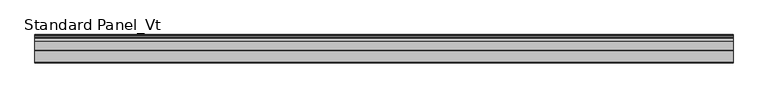
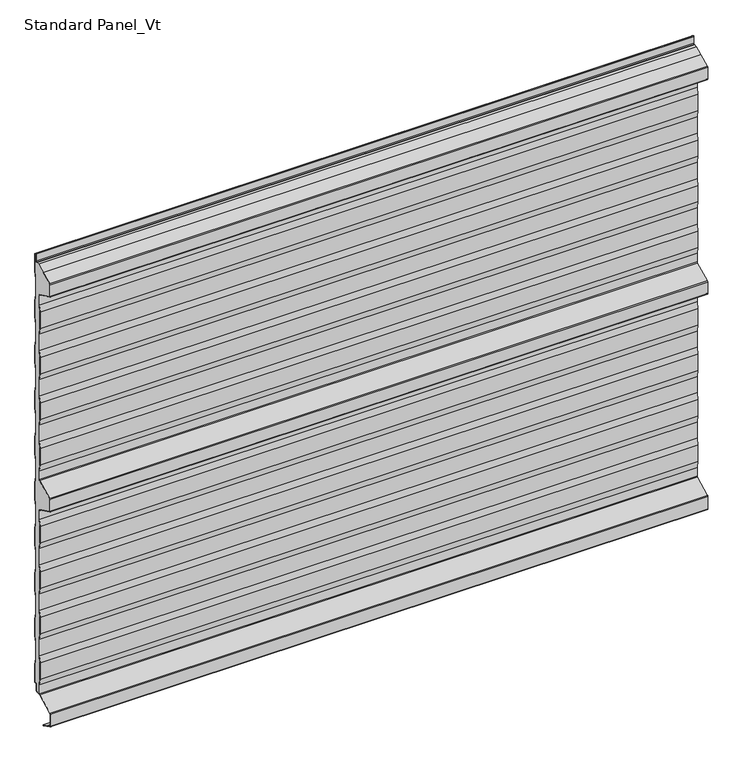
"""IFC4 building model written with IfcOpenShell, lengths in millimetres: proxy geometry, Standard Panel_Vt."""

from ifc_helpers import new_model, si_unit, point, frame, frame_2d, origin, place, context, project, spatial, polyline, circle_curve, trimmed, segment, composite_curve, outline, extrude, source, transform, mapped, element, save
from ifc_brep_helpers import plane_surface, cylinder_surface, revolved_surface, advanced_brep


def standard_panel_vt_a5dd3691(model_context):
    return source(origin(), model_context, "Body", "SolidModel", [
        advanced_brep(
        [(-723.9042608, -16.7, 964.8661831), (-723.9042608, -17.9724364, 966.9238791), (-723.9042608, -45.0045421, 980.423058), (-723.9042608, -45.7702853, 980.6504112), (-723.9042608, -47.4301555, 980.8405987), (-723.9042608, -55.9201502, 985.0802964), (-723.9042608, -56.75, 986.4222721), (-723.9042608, -56.75, 1013.5777279), (-723.9042608, -55.9201502, 1014.9197036), (-723.9042608, -14.25, 1035.7287673), (-723.9042608, -8.130172, 1035.8383571), (-723.9042608, -8.130172, 1035.0383571), (-723.9042608, -6.2001721, 1035.0383571), (-723.9042608, -4.0001723, 1037.2383568), (-723.9042608, -4.0001723, 1053.568183), (-723.9042608, -0.8, 1051.4917405), (-723.9042608, -0.8, 1010.6395671), (-723.9042608, -3.3, 995.6395671), (-723.9042608, -3.3, 957.5071471), (-723.9042608, -0.8, 942.5071471), (-723.9042608, -0.8, 904.6395671), (-723.9042608, -3.3, 889.6395671), (-723.9042608, -3.3, 851.5071471), (-723.9042608, -0.8, 836.5071471), (-723.9042608, -0.8, 798.6395671), (-723.9042608, -3.3, 783.6395671), (-723.9042608, -3.3, 745.5071471), (-723.9042608, -0.8, 730.5071471), (-723.9042608, -0.8, 692.6395671), (-723.9042608, -3.3, 677.6395671), (-723.9042608, -3.3, 639.5071471), (-723.9042608, -0.8, 624.5071471), (-723.9042608, -0.8, 586.1395671), (-723.9042608, -3.3, 571.1395671), (-723.9042608, -3.3, 533.0071471), (-723.9042608, -0.8, 518.0071471), (-723.9042608, -0.8, 480.6395671), (-723.9042608, -3.3, 465.6395671), (-723.9042608, -3.3, 427.5071471), (-723.9042608, -0.8, 412.5071471), (-723.9042608, -0.8, 374.6395671), (-723.9042608, -3.3, 359.6395671), (-723.9042608, -3.3, 321.5071471), (-723.9042608, -0.8, 306.5071471), (-723.9042608, -0.8, 268.6395671), (-723.9042608, -3.3, 253.6395671), (-723.9042608, -3.3, 215.5071471), (-723.9042608, -0.8, 200.5071471), (-723.9042608, -0.8, 162.6395671), (-723.9042608, -3.3, 147.6395671), (-723.9042608, -3.3, 109.5071471), (-723.9042608, -0.8, 94.5071471), (-723.9042608, -0.8, 53.3990389), (-723.9042608, -3.3204106, 55.0344157), (-723.9042608, -6.1001721, 53.5244265), (-723.9042608, -6.1001721, 37.9383564), (-723.9042608, -7.4001714, 36.6383571), (-723.9042608, -9.4001722, 36.6383571), (-723.9042608, -9.4001722, 35.8), (-723.9042608, -17.1622719, 35.7673446), (-723.9042608, -16.7, 37.3959608), (-723.9042608, -16.7, 57.6094989), (-723.9042608, -19.2, 72.448892), (-723.9042608, -19.2, 110.5241033), (-723.9042608, -16.7, 125.3634964), (-723.9042608, -16.7, 163.6094989), (-723.9042608, -19.2, 178.448892), (-723.9042608, -19.2, 216.5241033), (-723.9042608, -16.7, 231.3634964), (-723.9042608, -16.7, 269.6094989), (-723.9042608, -19.2, 284.448892), (-723.9042608, -19.2, 322.5241033), (-723.9042608, -16.7, 337.3634964), (-723.9042608, -16.7, 375.6094989), (-723.9042608, -19.2, 390.448892), (-723.9042608, -19.2, 428.5241033), (-723.9042608, -16.7, 443.3634964), (-723.9042608, -16.7, 463.5777279), (-723.9042608, -18.415023, 466.3511443), (-723.9042608, -55.9201502, 485.0802964), (-723.9042608, -56.75, 486.4222721), (-723.9042608, -56.75, 513.5777279), (-723.9042608, -55.9201502, 514.9197036), (-723.9042608, -18.415023, 533.6488557), (-723.9042608, -16.7, 536.4222721), (-723.9042608, -16.7, 556.6365036), (-723.9042608, -19.2, 571.4758967), (-723.9042608, -19.2, 609.551108), (-723.9042608, -16.7, 624.3905011), (-723.9042608, -16.7, 662.6365036), (-723.9042608, -19.2, 677.4758967), (-723.9042608, -19.2, 715.551108), (-723.9042608, -16.7, 730.3905011), (-723.9042608, -16.7, 768.6365036), (-723.9042608, -19.2, 783.4758967), (-723.9042608, -19.2, 821.551108), (-723.9042608, -16.7, 836.3905011), (-723.9042608, -16.7, 874.6365036), (-723.9042608, -19.2, 889.4758967), (-723.9042608, -19.2, 927.551108), (-723.9042608, -16.7, 942.3905011), (723.9042608, -16.7, 964.8661831), (723.9042608, -16.7, 942.3905011), (723.9042608, -19.2, 927.551108), (723.9042608, -19.2, 889.4758967), (723.9042608, -16.7, 874.6365036), (723.9042608, -16.7, 836.3905011), (723.9042608, -19.2, 821.551108), (723.9042608, -19.2, 783.4758967), (723.9042608, -16.7, 768.6365036), (723.9042608, -16.7, 730.3905011), (723.9042608, -19.2, 715.551108), (723.9042608, -19.2, 677.4758967), (723.9042608, -16.7, 662.6365036), (723.9042608, -16.7, 624.3905011), (723.9042608, -19.2, 609.551108), (723.9042608, -19.2, 571.4758967), (723.9042608, -16.7, 556.6365036), (723.9042608, -16.7, 536.4222721), (723.9042608, -18.415023, 533.6488557), (723.9042608, -55.9201502, 514.9197036), (723.9042608, -56.75, 513.5777279), (723.9042608, -56.75, 486.4222721), (723.9042608, -55.9201502, 485.0802964), (723.9042608, -18.415023, 466.3511443), (723.9042608, -16.7, 463.5777279), (723.9042608, -16.7, 443.3634964), (723.9042608, -19.2, 428.5241033), (723.9042608, -19.2, 390.448892), (723.9042608, -16.7, 375.6094989), (723.9042608, -16.7, 337.3634964), (723.9042608, -19.2, 322.5241033), (723.9042608, -19.2, 284.448892), (723.9042608, -16.7, 269.6094989), (723.9042608, -16.7, 231.3634964), (723.9042608, -19.2, 216.5241033), (723.9042608, -19.2, 178.448892), (723.9042608, -16.7, 163.6094989), (723.9042608, -16.7, 125.3634964), (723.9042608, -19.2, 110.5241033), (723.9042608, -19.2, 72.448892), (723.9042608, -16.7, 57.6094989), (723.9042608, -16.7, 37.3959608), (723.9042608, -17.1622719, 35.7673446), (723.9042608, -9.4001722, 35.8), (723.9042608, -9.4001722, 36.6383571), (723.9042608, -7.4001714, 36.6383571), (723.9042608, -6.1001721, 37.9383564), (723.9042608, -6.1001721, 53.5244265), (723.9042608, -3.3204106, 55.0344157), (723.9042608, -0.8, 53.3990389), (723.9042608, -0.8, 94.5071471), (723.9042608, -3.3, 109.5071471), (723.9042608, -3.3, 147.6395671), (723.9042608, -0.8, 162.6395671), (723.9042608, -0.8, 200.5071471), (723.9042608, -3.3, 215.5071471), (723.9042608, -3.3, 253.6395671), (723.9042608, -0.8, 268.6395671), (723.9042608, -0.8, 306.5071471), (723.9042608, -3.3, 321.5071471), (723.9042608, -3.3, 359.6395671), (723.9042608, -0.8, 374.6395671), (723.9042608, -0.8, 412.5071471), (723.9042608, -3.3, 427.5071471), (723.9042608, -3.3, 465.6395671), (723.9042608, -0.8, 480.6395671), (723.9042608, -0.8, 518.0071471), (723.9042608, -3.3, 533.0071471), (723.9042608, -3.3, 571.1395671), (723.9042608, -0.8, 586.1395671), (723.9042608, -0.8, 624.5071471), (723.9042608, -3.3, 639.5071471), (723.9042608, -3.3, 677.6395671), (723.9042608, -0.8, 692.6395671), (723.9042608, -0.8, 730.5071471), (723.9042608, -3.3, 745.5071471), (723.9042608, -3.3, 783.6395671), (723.9042608, -0.8, 798.6395671), (723.9042608, -0.8, 836.5071471), (723.9042608, -3.3, 851.5071471), (723.9042608, -3.3, 889.6395671), (723.9042608, -0.8, 904.6395671), (723.9042608, -0.8, 942.5071471), (723.9042608, -3.3, 957.5071471), (723.9042608, -3.3, 995.6395671), (723.9042608, -0.8, 1010.6395671), (723.9042608, -0.8, 1051.4917405), (723.9042608, -4.0001723, 1053.568183), (723.9042608, -4.0001723, 1037.2383568), (723.9042608, -6.2001721, 1035.0383571), (723.9042608, -8.130172, 1035.0383571), (723.9042608, -8.130172, 1035.8383571), (723.9042608, -14.25, 1035.8), (723.9042608, -55.9201502, 1014.9197036), (723.9042608, -56.75, 1013.5777279), (723.9042608, -56.75, 986.4222721), (723.9042608, -55.9201502, 985.0802964), (723.9042608, -47.4301555, 980.8405987), (723.9042608, -45.7702853, 980.6504112), (723.9042608, -45.0045421, 980.423058), (723.9042608, -17.9724364, 966.9238791)],
        [
            (0, 1, circle_curve(frame((-723.9042608, -19.0, 964.8661831), z_axis=(1.0, 0.0, 0.0), x_axis=(0.0, 0.0, 1.0)), 2.3)),
            (1, 2),
            (2, 3, circle_curve(frame((-723.9042608, -46.0321057, 978.3653619), z_axis=(1.0, 0.0, 0.0), x_axis=(0.0, 0.0, 1.0)), 2.3)),
            (3, 4),
            (4, 5),
            (5, 6, circle_curve(frame((-723.9042608, -55.25, 986.4222721), z_axis=(-1.0, 0.0, 0.0), x_axis=(0.0, 0.0, 1.0)), 1.5)),
            (6, 7),
            (7, 8, circle_curve(frame((-723.9042608, -55.25, 1013.5777279), z_axis=(-1.0, 0.0, 0.0), x_axis=(0.0, 0.0, 1.0)), 1.5)),
            (8, 9),
            (9, 10),
            (10, 11),
            (11, 12),
            (12, 13, circle_curve(frame((-723.9042608, -6.2001721, 1037.2383568), z_axis=(1.0, 0.0, 0.0), x_axis=(0.0, 0.0, 1.0)), 2.1999997)),
            (13, 14),
            (14, 15),
            (15, 16),
            (16, 17),
            (17, 18),
            (18, 19),
            (19, 20),
            (20, 21),
            (21, 22),
            (22, 23),
            (23, 24),
            (24, 25),
            (25, 26),
            (26, 27),
            (27, 28),
            (28, 29),
            (29, 30),
            (30, 31),
            (31, 32),
            (32, 33),
            (33, 34),
            (34, 35),
            (35, 36),
            (36, 37),
            (37, 38),
            (38, 39),
            (39, 40),
            (40, 41),
            (41, 42),
            (42, 43),
            (43, 44),
            (44, 45),
            (45, 46),
            (46, 47),
            (47, 48),
            (48, 49),
            (49, 50),
            (50, 51),
            (51, 52),
            (52, 53),
            (53, 54, circle_curve(frame((-723.9042608, -4.3001721, 53.5244265), z_axis=(1.0, 0.0, 0.0), x_axis=(0.0, 0.0, 1.0)), 1.8)),
            (54, 55),
            (55, 56, circle_curve(frame((-723.9042608, -7.4001714, 37.9383564), z_axis=(-1.0, 0.0, 0.0), x_axis=(0.0, 0.0, 1.0)), 1.2999993)),
            (56, 57),
            (57, 58),
            (58, 59),
            (59, 60, circle_curve(frame((-723.9042608, -19.8, 37.3959608), z_axis=(1.0, 0.0, 0.0), x_axis=(0.0, 0.0, 1.0)), 3.1)),
            (60, 61),
            (61, 62),
            (62, 63),
            (63, 64),
            (64, 65),
            (65, 66),
            (66, 67),
            (67, 68),
            (68, 69),
            (69, 70),
            (70, 71),
            (71, 72),
            (72, 73),
            (73, 74),
            (74, 75),
            (75, 76),
            (76, 77),
            (77, 78, circle_curve(frame((-723.9042608, -19.8, 463.5777279), z_axis=(1.0, 0.0, 0.0), x_axis=(0.0, 0.0, 1.0)), 3.1)),
            (78, 79),
            (79, 80, circle_curve(frame((-723.9042608, -55.25, 486.4222721), z_axis=(-1.0, 0.0, 0.0), x_axis=(0.0, 0.0, 1.0)), 1.5)),
            (80, 81),
            (81, 82, circle_curve(frame((-723.9042608, -55.25, 513.5777279), z_axis=(-1.0, 0.0, 0.0), x_axis=(0.0, 0.0, 1.0)), 1.5)),
            (82, 83),
            (83, 84, circle_curve(frame((-723.9042608, -19.8, 536.4222721), z_axis=(1.0, 0.0, 0.0), x_axis=(0.0, 0.0, 1.0)), 3.1)),
            (84, 85),
            (85, 86),
            (86, 87),
            (87, 88),
            (88, 89),
            (89, 90),
            (90, 91),
            (91, 92),
            (92, 93),
            (93, 94),
            (94, 95),
            (95, 96),
            (96, 97),
            (97, 98),
            (98, 99),
            (99, 100),
            (100, 0),
            (101, 102),
            (102, 103),
            (103, 104),
            (104, 105),
            (105, 106),
            (106, 107),
            (107, 108),
            (108, 109),
            (109, 110),
            (110, 111),
            (111, 112),
            (112, 113),
            (113, 114),
            (114, 115),
            (115, 116),
            (116, 117),
            (117, 118),
            (118, 119, circle_curve(frame((723.9042608, -19.8, 536.4222721), z_axis=(-1.0, 0.0, 0.0), x_axis=(0.0, 0.0, 1.0)), 3.1)),
            (119, 120),
            (120, 121, circle_curve(frame((723.9042608, -55.25, 513.5777279), z_axis=(1.0, 0.0, 0.0), x_axis=(0.0, 0.0, 1.0)), 1.5)),
            (121, 122),
            (122, 123, circle_curve(frame((723.9042608, -55.25, 486.4222721), z_axis=(1.0, 0.0, 0.0), x_axis=(0.0, 0.0, 1.0)), 1.5)),
            (123, 124),
            (124, 125, circle_curve(frame((723.9042608, -19.8, 463.5777279), z_axis=(-1.0, 0.0, 0.0), x_axis=(0.0, 0.0, 1.0)), 3.1)),
            (125, 126),
            (126, 127),
            (127, 128),
            (128, 129),
            (129, 130),
            (130, 131),
            (131, 132),
            (132, 133),
            (133, 134),
            (134, 135),
            (135, 136),
            (136, 137),
            (137, 138),
            (138, 139),
            (139, 140),
            (140, 141),
            (141, 142),
            (142, 143, circle_curve(frame((723.9042608, -19.8, 37.3959608), z_axis=(-1.0, 0.0, 0.0), x_axis=(0.0, 0.0, 1.0)), 3.1)),
            (143, 144),
            (144, 145),
            (145, 146),
            (146, 147, circle_curve(frame((723.9042608, -7.4001714, 37.9383564), z_axis=(1.0, 0.0, 0.0), x_axis=(0.0, 0.0, 1.0)), 1.2999993)),
            (147, 148),
            (148, 149, circle_curve(frame((723.9042608, -4.3001721, 53.5244265), z_axis=(-1.0, 0.0, 0.0), x_axis=(0.0, 0.0, 1.0)), 1.8)),
            (149, 150),
            (150, 151),
            (151, 152),
            (152, 153),
            (153, 154),
            (154, 155),
            (155, 156),
            (156, 157),
            (157, 158),
            (158, 159),
            (159, 160),
            (160, 161),
            (161, 162),
            (162, 163),
            (163, 164),
            (164, 165),
            (165, 166),
            (166, 167),
            (167, 168),
            (168, 169),
            (169, 170),
            (170, 171),
            (171, 172),
            (172, 173),
            (173, 174),
            (174, 175),
            (175, 176),
            (176, 177),
            (177, 178),
            (178, 179),
            (179, 180),
            (180, 181),
            (181, 182),
            (182, 183),
            (183, 184),
            (184, 185),
            (185, 186),
            (186, 187),
            (187, 188),
            (188, 189),
            (189, 190, circle_curve(frame((723.9042608, -6.2001721, 1037.2383568), z_axis=(-1.0, 0.0, 0.0), x_axis=(0.0, 0.0, 1.0)), 2.1999997)),
            (190, 191),
            (191, 192),
            (192, 193),
            (193, 194),
            (194, 195, circle_curve(frame((723.9042608, -55.25, 1013.5777279), z_axis=(1.0, 0.0, 0.0), x_axis=(0.0, 0.0, 1.0)), 1.5)),
            (195, 196),
            (196, 197, circle_curve(frame((723.9042608, -55.25, 986.4222721), z_axis=(1.0, 0.0, 0.0), x_axis=(0.0, 0.0, 1.0)), 1.5)),
            (197, 198),
            (198, 199),
            (199, 200, circle_curve(frame((723.9042608, -46.0321057, 978.3653619), z_axis=(-1.0, 0.0, 0.0), x_axis=(0.0, 0.0, 1.0)), 2.3)),
            (200, 201),
            (201, 101, circle_curve(frame((723.9042608, -19.0, 964.8661831), z_axis=(-1.0, 0.0, 0.0), x_axis=(0.0, 0.0, 1.0)), 2.3)),
            (0, 101),
            (201, 1),
            (200, 2),
            (199, 3),
            (198, 4),
            (197, 5),
            (196, 6),
            (195, 7),
            (194, 8),
            (193, 9),
            (58, 144),
            (143, 59),
            (142, 60),
            (141, 61),
            (140, 62),
            (139, 63),
            (138, 64),
            (137, 65),
            (136, 66),
            (135, 67),
            (134, 68),
            (133, 69),
            (132, 70),
            (131, 71),
            (130, 72),
            (129, 73),
            (128, 74),
            (127, 75),
            (126, 76),
            (125, 77),
            (124, 78),
            (123, 79),
            (122, 80),
            (121, 81),
            (120, 82),
            (119, 83),
            (118, 84),
            (117, 85),
            (116, 86),
            (115, 87),
            (114, 88),
            (113, 89),
            (112, 90),
            (111, 91),
            (110, 92),
            (109, 93),
            (108, 94),
            (107, 95),
            (106, 96),
            (105, 97),
            (104, 98),
            (103, 99),
            (102, 100),
            (192, 10),
            (57, 145),
            (12, 190),
            (189, 13),
            (188, 14),
            (187, 15),
            (186, 16),
            (185, 17),
            (184, 18),
            (183, 19),
            (182, 20),
            (181, 21),
            (180, 22),
            (179, 23),
            (178, 24),
            (177, 25),
            (176, 26),
            (175, 27),
            (174, 28),
            (173, 29),
            (172, 30),
            (171, 31),
            (170, 32),
            (169, 33),
            (168, 34),
            (167, 35),
            (166, 36),
            (165, 37),
            (164, 38),
            (163, 39),
            (162, 40),
            (161, 41),
            (160, 42),
            (159, 43),
            (158, 44),
            (157, 45),
            (156, 46),
            (155, 47),
            (154, 48),
            (153, 49),
            (152, 50),
            (151, 51),
            (150, 52),
            (149, 53),
            (148, 54),
            (147, 55),
            (146, 56),
            (191, 11),
        ],
        [
            plane_surface(frame((-723.9042608, -19.2, 500.0), z_axis=(-1.0, 0.0, 0.0), x_axis=(0.0, 1.0, 0.0))),
            plane_surface(frame((723.9042608, -19.2, 500.0), z_axis=(1.0, 0.0, 0.0), x_axis=(0.0, 1.0, 0.0))),
            revolved_surface(polyline([(723.9042608, -19.0, 967.1661830999999), (-723.9042608, -19.0, 967.1661830999999)]), (-723.9042608, -19.0, 964.8661831), (1.0, 0.0, 0.0)),
            plane_surface(frame((-723.9042608, -45.0045421, 980.423058), z_axis=(0.0, -0.44676677293789996, -0.8946504628058127), x_axis=(1.0, 0.0, 0.0))),
            revolved_surface(polyline([(723.9042608, -46.0321057, 980.6653619), (-723.9042608, -46.0321057, 980.6653619)]), (-723.9042608, -46.0321057, 978.3653619), (1.0, 0.0, 0.0)),
            plane_surface(frame((-723.9042608, -47.4301555, 980.8405987), z_axis=(0.0, -0.11383496024223502, -0.9934996737929253), x_axis=(1.0, 0.0, 0.0))),
            plane_surface(frame((-723.9042608, -55.9201502, 985.0802964), z_axis=(0.0, -0.44676677293837186, -0.8946504628055771), x_axis=(1.0, 0.0, 0.0))),
            cylinder_surface(frame((-723.9042608, -55.25, 986.4222721), z_axis=(-1.0, 0.0, 0.0), x_axis=(0.0, 0.0, 1.0)), 1.5),
            plane_surface(frame((-723.9042608, -56.75, 1013.5777279), z_axis=(0.0, -1.0, 0.0), x_axis=(1.0, 0.0, 0.0))),
            cylinder_surface(frame((-723.9042608, -55.25, 1013.5777279), z_axis=(-1.0, 0.0, 0.0), x_axis=(0.0, 0.0, 1.0)), 1.5),
            plane_surface(frame((-723.9042608, -14.25, 1035.7287673), z_axis=(0.0, -0.44676677293660805, 0.8946504628064579), x_axis=(1.0, 0.0, 0.0))),
            plane_surface(frame((-723.9042608, -17.1622719, 35.7673446), z_axis=(0.0, 0.0, -1.0), x_axis=(1.0, 0.0, 0.0))),
            revolved_surface(polyline([(723.9042608, -19.8, 40.4959608), (-723.9042608, -19.8, 40.4959608)]), (-723.9042608, -19.8, 37.3959608), (1.0, 0.0, 0.0)),
            plane_surface(frame((-723.9042608, -16.7, 57.6094989), z_axis=(0.0, -1.0, 0.0), x_axis=(1.0, 0.0, 0.0))),
            plane_surface(frame((-723.9042608, -19.2, 72.448892), z_axis=(0.0, -0.9861039564577467, -0.16612942863435845), x_axis=(1.0, 0.0, 0.0))),
            plane_surface(frame((-723.9042608, -19.2, 110.5241033), z_axis=(0.0, -1.0, 0.0), x_axis=(1.0, 0.0, 0.0))),
            plane_surface(frame((-723.9042608, -16.7, 125.3634964), z_axis=(0.0, -0.9861039564577161, 0.1661294286345407), x_axis=(1.0, 0.0, 0.0))),
            plane_surface(frame((-723.9042608, -16.7, 163.6094989), z_axis=(0.0, -1.0, 0.0), x_axis=(1.0, 0.0, 0.0))),
            plane_surface(frame((-723.9042608, -19.2, 178.448892), z_axis=(0.0, -0.986103956457719, -0.16612942863452348), x_axis=(1.0, 0.0, 0.0))),
            plane_surface(frame((-723.9042608, -19.2, 216.5241033), z_axis=(0.0, -1.0, 0.0), x_axis=(1.0, 0.0, 0.0))),
            plane_surface(frame((-723.9042608, -16.7, 231.3634964), z_axis=(0.0, -0.9861039564577161, 0.1661294286345407), x_axis=(1.0, 0.0, 0.0))),
            plane_surface(frame((-723.9042608, -16.7, 269.6094989), z_axis=(0.0, -1.0, 0.0), x_axis=(1.0, 0.0, 0.0))),
            plane_surface(frame((-723.9042608, -19.2, 284.448892), z_axis=(0.0, -0.9861039564577467, -0.16612942863435845), x_axis=(1.0, 0.0, 0.0))),
            plane_surface(frame((-723.9042608, -19.2, 322.5241033), z_axis=(0.0, -1.0, 0.0), x_axis=(1.0, 0.0, 0.0))),
            plane_surface(frame((-723.9042608, -16.7, 337.3634964), z_axis=(0.0, -0.9861039564576843, 0.1661294286347293), x_axis=(1.0, 0.0, 0.0))),
            plane_surface(frame((-723.9042608, -16.7, 375.6094989), z_axis=(0.0, -1.0, 0.0), x_axis=(1.0, 0.0, 0.0))),
            plane_surface(frame((-723.9042608, -19.2, 390.448892), z_axis=(0.0, -0.986103956457719, -0.16612942863452348), x_axis=(1.0, 0.0, 0.0))),
            plane_surface(frame((-723.9042608, -19.2, 428.5241033), z_axis=(0.0, -1.0, 0.0), x_axis=(1.0, 0.0, 0.0))),
            plane_surface(frame((-723.9042608, -16.7, 443.3634964), z_axis=(0.0, -0.9861039564577478, 0.16612942863435207), x_axis=(1.0, 0.0, 0.0))),
            plane_surface(frame((-723.9042608, -16.7, 463.5777279), z_axis=(0.0, -1.0, 0.0), x_axis=(1.0, 0.0, 0.0))),
            revolved_surface(polyline([(723.9042608, -19.8, 466.67772790000004), (-723.9042608, -19.8, 466.67772790000004)]), (-723.9042608, -19.8, 463.5777279), (1.0, 0.0, 0.0)),
            plane_surface(frame((-723.9042608, -55.9201502, 485.0802964), z_axis=(0.0, -0.44676677293736405, -0.8946504628060804), x_axis=(1.0, 0.0, 0.0))),
            cylinder_surface(frame((-723.9042608, -55.25, 486.4222721), z_axis=(-1.0, 0.0, 0.0), x_axis=(0.0, 0.0, 1.0)), 1.5),
            plane_surface(frame((-723.9042608, -56.75, 513.5777279), z_axis=(0.0, -1.0, 0.0), x_axis=(1.0, 0.0, 0.0))),
            cylinder_surface(frame((-723.9042608, -55.25, 513.5777279), z_axis=(-1.0, 0.0, 0.0), x_axis=(0.0, 0.0, 1.0)), 1.5),
            plane_surface(frame((-723.9042608, -18.415023, 533.6488557), z_axis=(0.0, -0.4467667729375559, 0.8946504628059846), x_axis=(1.0, 0.0, 0.0))),
            revolved_surface(polyline([(723.9042608, -19.8, 539.5222721), (-723.9042608, -19.8, 539.5222721)]), (-723.9042608, -19.8, 536.4222721), (1.0, 0.0, 0.0)),
            plane_surface(frame((-723.9042608, -16.7, 556.6365036), z_axis=(0.0, -1.0, 0.0), x_axis=(1.0, 0.0, 0.0))),
            plane_surface(frame((-723.9042608, -19.2, 571.4758967), z_axis=(0.0, -0.9861039564577035, -0.16612942863461475), x_axis=(1.0, 0.0, 0.0))),
            plane_surface(frame((-723.9042608, -19.2, 609.551108), z_axis=(0.0, -1.0, 0.0), x_axis=(1.0, 0.0, 0.0))),
            plane_surface(frame((-723.9042608, -16.7, 624.3905011), z_axis=(0.0, -0.9861039564576689, 0.16612942863482055), x_axis=(1.0, 0.0, 0.0))),
            plane_surface(frame((-723.9042608, -16.7, 662.6365036), z_axis=(0.0, -1.0, 0.0), x_axis=(1.0, 0.0, 0.0))),
            plane_surface(frame((-723.9042608, -19.2, 677.4758967), z_axis=(0.0, -0.986103956457711, -0.16612942863457064), x_axis=(1.0, 0.0, 0.0))),
            plane_surface(frame((-723.9042608, -19.2, 715.551108), z_axis=(0.0, -1.0, 0.0), x_axis=(1.0, 0.0, 0.0))),
            plane_surface(frame((-723.9042608, -16.7, 730.3905011), z_axis=(0.0, -0.9861039564577478, 0.16612942863435207), x_axis=(1.0, 0.0, 0.0))),
            plane_surface(frame((-723.9042608, -16.7, 768.6365036), z_axis=(0.0, -1.0, 0.0), x_axis=(1.0, 0.0, 0.0))),
            plane_surface(frame((-723.9042608, -19.2, 783.4758967), z_axis=(0.0, -0.986103956457715, -0.16612942863454708), x_axis=(1.0, 0.0, 0.0))),
            plane_surface(frame((-723.9042608, -19.2, 821.551108), z_axis=(0.0, -1.0, 0.0), x_axis=(1.0, 0.0, 0.0))),
            plane_surface(frame((-723.9042608, -16.7, 836.3905011), z_axis=(0.0, -0.9861039564577161, 0.1661294286345407), x_axis=(1.0, 0.0, 0.0))),
            plane_surface(frame((-723.9042608, -16.7, 874.6365036), z_axis=(0.0, -1.0, 0.0), x_axis=(1.0, 0.0, 0.0))),
            plane_surface(frame((-723.9042608, -19.2, 889.4758967), z_axis=(0.0, -0.986103956457715, -0.16612942863454708), x_axis=(1.0, 0.0, 0.0))),
            plane_surface(frame((-723.9042608, -19.2, 927.551108), z_axis=(0.0, -1.0, 0.0), x_axis=(1.0, 0.0, 0.0))),
            plane_surface(frame((-723.9042608, -16.7, 942.3905011), z_axis=(0.0, -0.9861039564576843, 0.1661294286347293), x_axis=(1.0, 0.0, 0.0))),
            plane_surface(frame((-723.9042608, -16.7, 964.8661831), z_axis=(0.0, -1.0, 0.0), x_axis=(1.0, 0.0, 0.0))),
            plane_surface(frame((723.9042608, -14.25, 1035.8), z_axis=(0.0, 0.0, 1.0), x_axis=(-1.0, 0.0, 0.0))),
            plane_surface(frame((723.9042608, -9.4001722, 1035.8), z_axis=(0.0, 1.0, 0.0), x_axis=(-1.0, 0.0, 0.0))),
            revolved_surface(polyline([(723.9042608, -6.2001721, 1039.4383565), (-723.9042608, -6.2001721, 1039.4383565)]), (-723.9042608, -6.2001721, 1037.2383568), (1.0, 0.0, 0.0)),
            plane_surface(frame((-723.9042608, -4.0001723, 1053.568183), z_axis=(0.0, -1.0, 0.0), x_axis=(1.0, 0.0, 0.0))),
            plane_surface(frame((-723.9042608, -0.8, 1051.4917405), z_axis=(0.0, 0.5443119480328179, 0.8388828900560071), x_axis=(1.0, 0.0, 0.0))),
            plane_surface(frame((-723.9042608, -0.8, 1010.6395671), z_axis=(0.0, 1.0, 0.0), x_axis=(1.0, 0.0, 0.0))),
            plane_surface(frame((-723.9042608, -3.3, 995.6395671), z_axis=(0.0, 0.9863939238321534, -0.16439898730529956), x_axis=(1.0, 0.0, 0.0))),
            plane_surface(frame((-723.9042608, -3.3, 957.5071471), z_axis=(0.0, 1.0, 0.0), x_axis=(1.0, 0.0, 0.0))),
            plane_surface(frame((-723.9042608, -0.8, 942.5071471), z_axis=(0.0, 0.9863939238321456, 0.1643989873053465), x_axis=(1.0, 0.0, 0.0))),
            plane_surface(frame((-723.9042608, -0.8, 904.6395671), z_axis=(0.0, 1.0, 0.0), x_axis=(1.0, 0.0, 0.0))),
            plane_surface(frame((-723.9042608, -3.3, 889.6395671), z_axis=(0.0, 0.9863939238321452, -0.16439898730534863), x_axis=(1.0, 0.0, 0.0))),
            plane_surface(frame((-723.9042608, -3.3, 851.5071471), z_axis=(0.0, 1.0, 0.0), x_axis=(1.0, 0.0, 0.0))),
            plane_surface(frame((-723.9042608, -0.8, 836.5071471), z_axis=(0.0, 0.9863939238321413, 0.16439898730537209), x_axis=(1.0, 0.0, 0.0))),
            plane_surface(frame((-723.9042608, -0.8, 798.6395671), z_axis=(0.0, 1.0, 0.0), x_axis=(1.0, 0.0, 0.0))),
            plane_surface(frame((-723.9042608, -3.3, 783.6395671), z_axis=(0.0, 0.9863939238321713, -0.164398987305192), x_axis=(1.0, 0.0, 0.0))),
            plane_surface(frame((-723.9042608, -3.3, 745.5071471), z_axis=(0.0, 1.0, 0.0), x_axis=(1.0, 0.0, 0.0))),
            plane_surface(frame((-723.9042608, -0.8, 730.5071471), z_axis=(0.0, 0.9863939238321595, 0.16439898730526276), x_axis=(1.0, 0.0, 0.0))),
            plane_surface(frame((-723.9042608, -0.8, 692.6395671), z_axis=(0.0, 1.0, 0.0), x_axis=(1.0, 0.0, 0.0))),
            plane_surface(frame((-723.9042608, -3.3, 677.6395671), z_axis=(0.0, 0.9863939238321285, -0.16439898730544858), x_axis=(1.0, 0.0, 0.0))),
            plane_surface(frame((-723.9042608, -3.3, 639.5071471), z_axis=(0.0, 1.0, 0.0), x_axis=(1.0, 0.0, 0.0))),
            plane_surface(frame((-723.9042608, -0.8, 624.5071471), z_axis=(0.0, 0.986393923832452, 0.16439898730350827), x_axis=(1.0, 0.0, 0.0))),
            plane_surface(frame((-723.9042608, -0.8, 586.1395671), z_axis=(0.0, 1.0, 0.0), x_axis=(1.0, 0.0, 0.0))),
            plane_surface(frame((-723.9042608, -3.3, 571.1395671), z_axis=(0.0, 0.986393923832151, -0.16439898730531435), x_axis=(1.0, 0.0, 0.0))),
            plane_surface(frame((-723.9042608, -3.3, 533.0071471), z_axis=(0.0, 1.0, 0.0), x_axis=(1.0, 0.0, 0.0))),
            plane_surface(frame((-723.9042608, -0.8, 518.0071471), z_axis=(0.0, 0.9863939238329182, 0.1643989873007107), x_axis=(1.0, 0.0, 0.0))),
            plane_surface(frame((-723.9042608, -0.8, 480.6395671), z_axis=(0.0, 1.0, 0.0), x_axis=(1.0, 0.0, 0.0))),
            plane_surface(frame((-723.9042608, -3.3, 465.6395671), z_axis=(0.0, 0.986393923832576, -0.1643989873027638), x_axis=(1.0, 0.0, 0.0))),
            plane_surface(frame((-723.9042608, -3.3, 427.5071471), z_axis=(0.0, 1.0, 0.0), x_axis=(1.0, 0.0, 0.0))),
            plane_surface(frame((-723.9042608, -0.8, 412.5071471), z_axis=(0.0, 0.9863939238321462, 0.1643989873053435), x_axis=(1.0, 0.0, 0.0))),
            plane_surface(frame((-723.9042608, -0.8, 374.6395671), z_axis=(0.0, 1.0, 0.0), x_axis=(1.0, 0.0, 0.0))),
            plane_surface(frame((-723.9042608, -3.3, 359.6395671), z_axis=(0.0, 0.9863939238321415, -0.16439898730537109), x_axis=(1.0, 0.0, 0.0))),
            plane_surface(frame((-723.9042608, -3.3, 321.5071471), z_axis=(0.0, 1.0, 0.0), x_axis=(1.0, 0.0, 0.0))),
            plane_surface(frame((-723.9042608, -0.8, 306.5071471), z_axis=(0.0, 0.9863939238321462, 0.1643989873053435), x_axis=(1.0, 0.0, 0.0))),
            plane_surface(frame((-723.9042608, -0.8, 268.6395671), z_axis=(0.0, 1.0, 0.0), x_axis=(1.0, 0.0, 0.0))),
            plane_surface(frame((-723.9042608, -3.3, 253.6395671), z_axis=(0.0, 0.9863939238321723, -0.16439898730518634), x_axis=(1.0, 0.0, 0.0))),
            plane_surface(frame((-723.9042608, -3.3, 215.5071471), z_axis=(0.0, 1.0, 0.0), x_axis=(1.0, 0.0, 0.0))),
            plane_surface(frame((-723.9042608, -0.8, 200.5071471), z_axis=(0.0, 0.9863939238321462, 0.1643989873053435), x_axis=(1.0, 0.0, 0.0))),
            plane_surface(frame((-723.9042608, -0.8, 162.6395671), z_axis=(0.0, 1.0, 0.0), x_axis=(1.0, 0.0, 0.0))),
            plane_surface(frame((-723.9042608, -3.3, 147.6395671), z_axis=(0.0, 0.9863939238321415, -0.16439898730537109), x_axis=(1.0, 0.0, 0.0))),
            plane_surface(frame((-723.9042608, -3.3, 109.5071471), z_axis=(0.0, 1.0, 0.0), x_axis=(1.0, 0.0, 0.0))),
            plane_surface(frame((-723.9042608, -0.8, 94.5071471), z_axis=(0.0, 0.9863939238321769, 0.16439898730515876), x_axis=(1.0, 0.0, 0.0))),
            plane_surface(frame((-723.9042608, -0.8, 53.3990389), z_axis=(0.0, 1.0, 0.0), x_axis=(1.0, 0.0, 0.0))),
            plane_surface(frame((-723.9042608, -3.3204106, 55.0344157), z_axis=(0.0, -0.5443119480359504, -0.8388828900539747), x_axis=(1.0, 0.0, 0.0))),
            revolved_surface(polyline([(723.9042608, -4.3001721, 55.324426499999994), (-723.9042608, -4.3001721, 55.324426499999994)]), (-723.9042608, -4.3001721, 53.5244265), (1.0, 0.0, 0.0)),
            plane_surface(frame((-723.9042608, -6.1001721, 37.9383564), z_axis=(0.0, 1.0, 0.0), x_axis=(1.0, 0.0, 0.0))),
            cylinder_surface(frame((-723.9042608, -7.4001714, 37.9383564), z_axis=(-1.0, 0.0, 0.0), x_axis=(0.0, 0.0, 1.0)), 1.2999993),
            plane_surface(frame((-723.9042608, -9.4001722, 36.6383571), z_axis=(0.0, 0.0, -1.0), x_axis=(1.0, 0.0, 0.0))),
            plane_surface(frame((-723.9042608, -8.130172, 1035.0383571), z_axis=(0.0, 1.0, 0.0), x_axis=(1.0, 0.0, 0.0))),
            plane_surface(frame((-723.9042608, -6.2001721, 1035.0383571), z_axis=(0.0, 0.0, 1.0), x_axis=(1.0, 0.0, 0.0))),
        ],
        [
            (0, [[1, 2, 3, 4, 5, 6, 7, 8, 9, 10, 11, 12, 13, 14, 15, 16, 17, 18, 19, 20, 21, 22, 23, 24, 25, 26, 27, 28, 29, 30, 31, 32, 33, 34, 35, 36, 37, 38, 39, 40, 41, 42, 43, 44, 45, 46, 47, 48, 49, 50, 51, 52, 53, 54, 55, 56, 57, 58, 59, 60, 61, 62, 63, 64, 65, 66, 67, 68, 69, 70, 71, 72, 73, 74, 75, 76, 77, 78, 79, 80, 81, 82, 83, 84, 85, 86, 87, 88, 89, 90, 91, 92, 93, 94, 95, 96, 97, 98, 99, 100, 101]]),
            (1, [[102, 103, 104, 105, 106, 107, 108, 109, 110, 111, 112, 113, 114, 115, 116, 117, 118, 119, 120, 121, 122, 123, 124, 125, 126, 127, 128, 129, 130, 131, 132, 133, 134, 135, 136, 137, 138, 139, 140, 141, 142, 143, 144, 145, 146, 147, 148, 149, 150, 151, 152, 153, 154, 155, 156, 157, 158, 159, 160, 161, 162, 163, 164, 165, 166, 167, 168, 169, 170, 171, 172, 173, 174, 175, 176, 177, 178, 179, 180, 181, 182, 183, 184, 185, 186, 187, 188, 189, 190, 191, 192, 193, 194, 195, 196, 197, 198, 199, 200, 201, 202]]),
            (2, [[203, -202, 204, -1]]),
            (3, [[-204, -201, 205, -2]]),
            (4, [[-205, -200, 206, -3]]),
            (5, [[-206, -199, 207, -4]]),
            (6, [[-207, -198, 208, -5]]),
            (7, [[-208, -197, 209, -6]]),
            (8, [[-209, -196, 210, -7]]),
            (9, [[-210, -195, 211, -8]]),
            (10, [[-211, -194, 212, -9]]),
            (11, [[-59, 213, -144, 214]]),
            (12, [[-214, -143, 215, -60]]),
            (13, [[-215, -142, 216, -61]]),
            (14, [[-216, -141, 217, -62]]),
            (15, [[-217, -140, 218, -63]]),
            (16, [[-218, -139, 219, -64]]),
            (17, [[-219, -138, 220, -65]]),
            (18, [[-220, -137, 221, -66]]),
            (19, [[-221, -136, 222, -67]]),
            (20, [[-222, -135, 223, -68]]),
            (21, [[-223, -134, 224, -69]]),
            (22, [[-224, -133, 225, -70]]),
            (23, [[-225, -132, 226, -71]]),
            (24, [[-226, -131, 227, -72]]),
            (25, [[-227, -130, 228, -73]]),
            (26, [[-228, -129, 229, -74]]),
            (27, [[-229, -128, 230, -75]]),
            (28, [[-230, -127, 231, -76]]),
            (29, [[-231, -126, 232, -77]]),
            (30, [[-232, -125, 233, -78]]),
            (31, [[-233, -124, 234, -79]]),
            (32, [[-234, -123, 235, -80]]),
            (33, [[-235, -122, 236, -81]]),
            (34, [[-236, -121, 237, -82]]),
            (35, [[-237, -120, 238, -83]]),
            (36, [[-238, -119, 239, -84]]),
            (37, [[-239, -118, 240, -85]]),
            (38, [[-240, -117, 241, -86]]),
            (39, [[-241, -116, 242, -87]]),
            (40, [[-242, -115, 243, -88]]),
            (41, [[-243, -114, 244, -89]]),
            (42, [[-244, -113, 245, -90]]),
            (43, [[-245, -112, 246, -91]]),
            (44, [[-246, -111, 247, -92]]),
            (45, [[-247, -110, 248, -93]]),
            (46, [[-248, -109, 249, -94]]),
            (47, [[-249, -108, 250, -95]]),
            (48, [[-250, -107, 251, -96]]),
            (49, [[-251, -106, 252, -97]]),
            (50, [[-252, -105, 253, -98]]),
            (51, [[-253, -104, 254, -99]]),
            (52, [[-254, -103, 255, -100]]),
            (53, [[-255, -102, -203, -101]]),
            (54, [[256, -10, -212, -193]]),
            (55, [[-58, 257, -145, -213]]),
            (56, [[258, -190, 259, -13]]),
            (57, [[-259, -189, 260, -14]]),
            (58, [[-260, -188, 261, -15]]),
            (59, [[-261, -187, 262, -16]]),
            (60, [[-262, -186, 263, -17]]),
            (61, [[-263, -185, 264, -18]]),
            (62, [[-264, -184, 265, -19]]),
            (63, [[-265, -183, 266, -20]]),
            (64, [[-266, -182, 267, -21]]),
            (65, [[-267, -181, 268, -22]]),
            (66, [[-268, -180, 269, -23]]),
            (67, [[-269, -179, 270, -24]]),
            (68, [[-270, -178, 271, -25]]),
            (69, [[-271, -177, 272, -26]]),
            (70, [[-272, -176, 273, -27]]),
            (71, [[-273, -175, 274, -28]]),
            (72, [[-274, -174, 275, -29]]),
            (73, [[-275, -173, 276, -30]]),
            (74, [[-276, -172, 277, -31]]),
            (75, [[-277, -171, 278, -32]]),
            (76, [[-278, -170, 279, -33]]),
            (77, [[-279, -169, 280, -34]]),
            (78, [[-280, -168, 281, -35]]),
            (79, [[-281, -167, 282, -36]]),
            (80, [[-282, -166, 283, -37]]),
            (81, [[-283, -165, 284, -38]]),
            (82, [[-284, -164, 285, -39]]),
            (83, [[-285, -163, 286, -40]]),
            (84, [[-286, -162, 287, -41]]),
            (85, [[-287, -161, 288, -42]]),
            (86, [[-288, -160, 289, -43]]),
            (87, [[-289, -159, 290, -44]]),
            (88, [[-290, -158, 291, -45]]),
            (89, [[-291, -157, 292, -46]]),
            (90, [[-292, -156, 293, -47]]),
            (91, [[-293, -155, 294, -48]]),
            (92, [[-294, -154, 295, -49]]),
            (93, [[-295, -153, 296, -50]]),
            (94, [[-296, -152, 297, -51]]),
            (95, [[-297, -151, 298, -52]]),
            (96, [[-298, -150, 299, -53]]),
            (97, [[-299, -149, 300, -54]]),
            (98, [[-300, -148, 301, -55]]),
            (99, [[-301, -147, 302, -56]]),
            (100, [[-302, -146, -257, -57]]),
            (101, [[-256, -192, 303, -11]]),
            (102, [[-303, -191, -258, -12]]),
        ],
    ),
        extrude(outline(composite_curve([segment(polyline([(-16.7, 964.8661831), (-16.7, 942.3905011), (-19.2, 927.551108), (-19.2, 889.4758967), (-16.7, 874.6365036), (-16.7, 836.3905011), (-19.2, 821.551108), (-19.2, 783.4758967), (-16.7, 768.6365036), (-16.7, 730.3905011), (-19.2, 715.551108), (-19.2, 677.4758967), (-16.7, 662.6365036), (-16.7, 624.3905011), (-19.2, 609.551108), (-19.2, 571.4758967), (-16.7, 556.6365036), (-16.7, 536.4222721)]), True, "CONTINUOUS"), segment(trimmed(circle_curve(frame_2d((-19.8, 536.4222721)), 3.1), [point((-16.7, 536.4222721))], [point((-18.415023, 533.6488557))], False, "CARTESIAN"), True, "CONTINUOUS"), segment(polyline([(-18.415023, 533.6488557), (-55.9201502, 514.9197036)]), True, "CONTINUOUS"), segment(trimmed(circle_curve(frame_2d((-55.25, 513.5777279)), 1.5), [point((-55.9201502, 514.9197036))], [point((-56.75, 513.5777279))], True, "CARTESIAN"), True, "CONTINUOUS"), segment(polyline([(-56.75, 513.5777279), (-56.75, 486.4222721)]), True, "CONTINUOUS"), segment(trimmed(circle_curve(frame_2d((-55.25, 486.4222721)), 1.5), [point((-56.75, 486.4222721))], [point((-55.9201502, 485.0802964))], True, "CARTESIAN"), True, "CONTINUOUS"), segment(polyline([(-55.9201502, 485.0802964), (-18.415023, 466.3511443)]), True, "CONTINUOUS"), segment(trimmed(circle_curve(frame_2d((-19.8, 463.5777279)), 3.1), [point((-18.415023, 466.3511443))], [point((-16.7, 463.5777279))], False, "CARTESIAN"), True, "CONTINUOUS"), segment(polyline([(-16.7, 463.5777279), (-16.7, 443.3634964), (-19.2, 428.5241033), (-19.2, 390.448892), (-16.7, 375.6094989), (-16.7, 337.3634964), (-19.2, 322.5241033), (-19.2, 284.448892), (-16.7, 269.6094989), (-16.7, 231.3634964), (-19.2, 216.5241033), (-19.2, 178.448892), (-16.7, 163.6094989), (-16.7, 125.3634964), (-19.2, 110.5241033), (-19.2, 72.448892), (-16.7, 57.6094989), (-16.7, 37.3959608)]), True, "CONTINUOUS"), segment(trimmed(circle_curve(frame_2d((-19.8, 37.3959608)), 3.1), [point((-16.7, 37.3959608))], [point((-18.4162325, 34.6219407))], False, "CARTESIAN"), True, "CONTINUOUS"), segment(polyline([(-18.4162325, 34.6219407), (-56.910808, 15.419649)]), True, "CONTINUOUS"), segment(trimmed(circle_curve(frame_2d((-56.241243, 14.0773812)), 1.5), [point((-56.910808, 15.419649))], [point((-57.741243, 14.0773812))], True, "CARTESIAN"), True, "CONTINUOUS"), segment(polyline([(-57.741243, 14.0773812), (-57.741243, -14.0773812)]), True, "CONTINUOUS"), segment(trimmed(circle_curve(frame_2d((-56.241243, -14.0773812)), 1.5), [point((-57.741243, -14.0773812))], [point((-56.9113932, -15.4193569))], True, "CARTESIAN"), True, "CONTINUOUS"), segment(polyline([(-56.9113932, -15.4193569), (-44.7640727, -21.4854346), (-44.4066593, -20.7697142), (-31.7026227, -27.1138024)]), True, "CONTINUOUS"), segment(trimmed(circle_curve(frame_2d((-32.0600361, -27.8295227)), 0.8), [point((-31.7026227, -27.1138024))], [point((-32.4174495, -28.5452431))], False, "CARTESIAN"), True, "CONTINUOUS"), segment(polyline([(-32.4174495, -28.5452431), (-57.2688066, -16.1350773)]), True, "CONTINUOUS"), segment(trimmed(circle_curve(frame_2d((-56.241243, -14.0773812)), 2.3), [point((-57.2688066, -16.1350773))], [point((-58.541243, -14.0773812))], False, "CARTESIAN"), True, "CONTINUOUS"), segment(polyline([(-58.541243, -14.0773812), (-58.541243, 14.0773812)]), True, "CONTINUOUS"), segment(trimmed(circle_curve(frame_2d((-56.241243, 14.0773812)), 2.3), [point((-58.541243, 14.0773812))], [point((-57.2679093, 16.1355252))], False, "CARTESIAN"), True, "CONTINUOUS"), segment(polyline([(-57.2679093, 16.1355252), (-18.7733338, 35.3378168)]), True, "CONTINUOUS"), segment(trimmed(circle_curve(frame_2d((-19.8, 37.3959608)), 2.3), [point((-18.7733338, 35.3378168))], [point((-17.5, 37.3959608))], True, "CARTESIAN"), True, "CONTINUOUS"), segment(polyline([(-17.5, 37.3959608), (-17.5, 57.5425822), (-20.0, 72.3819753), (-20.0, 110.59102), (-17.5, 125.4304131), (-17.5, 163.5425822), (-20.0, 178.3819753), (-20.0, 216.59102), (-17.5, 231.4304131), (-17.5, 269.5425822), (-20.0, 284.3819753), (-20.0, 322.59102), (-17.5, 337.4304131), (-17.5, 375.5425822), (-20.0, 390.3819753), (-20.0, 428.59102), (-17.5, 443.4304131), (-17.5, 463.5777279)]), True, "CONTINUOUS"), segment(trimmed(circle_curve(frame_2d((-19.8, 463.5777279)), 2.3), [point((-17.5, 463.5777279))], [point((-18.7724364, 465.6354239))], True, "CARTESIAN"), True, "CONTINUOUS"), segment(polyline([(-18.7724364, 465.6354239), (-56.2775636, 484.3645761)]), True, "CONTINUOUS"), segment(trimmed(circle_curve(frame_2d((-55.25, 486.4222721)), 2.3), [point((-56.2775636, 484.3645761))], [point((-57.55, 486.4222721))], False, "CARTESIAN"), True, "CONTINUOUS"), segment(polyline([(-57.55, 486.4222721), (-57.55, 513.5777279)]), True, "CONTINUOUS"), segment(trimmed(circle_curve(frame_2d((-55.25, 513.5777279)), 2.3), [point((-57.55, 513.5777279))], [point((-56.2775636, 515.6354239))], False, "CARTESIAN"), True, "CONTINUOUS"), segment(polyline([(-56.2775636, 515.6354239), (-18.7724364, 534.3645761)]), True, "CONTINUOUS"), segment(trimmed(circle_curve(frame_2d((-19.8, 536.4222721)), 2.3), [point((-18.7724364, 534.3645761))], [point((-17.5, 536.4222721))], True, "CARTESIAN"), True, "CONTINUOUS"), segment(polyline([(-17.5, 536.4222721), (-17.5, 556.5695869), (-20.0, 571.40898), (-20.0, 609.6180247), (-17.5, 624.4574178), (-17.5, 662.5695869), (-20.0, 677.40898), (-20.0, 715.6180247), (-17.5, 730.4574178), (-17.5, 768.5695869), (-20.0, 783.40898), (-20.0, 821.6180247), (-17.5, 836.4574178), (-17.5, 874.5695869), (-20.0, 889.40898), (-20.0, 927.6180247), (-17.5, 942.4574178), (-17.5, 964.8661831)]), True, "CONTINUOUS"), segment(trimmed(circle_curve(frame_2d((-19.0, 964.8661831)), 1.5), [point((-17.5, 964.8661831))], [point((-18.3298498, 966.2081587))], True, "CARTESIAN"), True, "CONTINUOUS"), segment(polyline([(-18.3298498, 966.2081587), (-45.5985821, 979.8255032), (-47.6613681, 980.0618567), (-56.2775636, 984.3645761)]), True, "CONTINUOUS"), segment(trimmed(circle_curve(frame_2d((-55.25, 986.4222721)), 2.3), [point((-56.2775636, 984.3645761))], [point((-57.55, 986.4222721))], False, "CARTESIAN"), True, "CONTINUOUS"), segment(polyline([(-57.55, 986.4222721), (-57.55, 1013.5777279)]), True, "CONTINUOUS"), segment(trimmed(circle_curve(frame_2d((-55.25, 1013.5777279)), 2.3), [point((-57.55, 1013.5777279))], [point((-56.2775636, 1015.6354239))], False, "CARTESIAN"), True, "CONTINUOUS"), segment(polyline([(-56.2775636, 1015.6354239), (-32.499787, 1027.5094696), (-32.1423736, 1026.7937493), (-55.9201502, 1014.9197036)]), True, "CONTINUOUS"), segment(trimmed(circle_curve(frame_2d((-55.25, 1013.5777279)), 1.5), [point((-55.9201502, 1014.9197036))], [point((-56.75, 1013.5777279))], True, "CARTESIAN"), True, "CONTINUOUS"), segment(polyline([(-56.75, 1013.5777279), (-56.75, 986.4222721)]), True, "CONTINUOUS"), segment(trimmed(circle_curve(frame_2d((-55.25, 986.4222721)), 1.5), [point((-56.75, 986.4222721))], [point((-55.9201502, 985.0802964))], True, "CARTESIAN"), True, "CONTINUOUS"), segment(polyline([(-55.9201502, 985.0802964), (-47.4301555, 980.8405987), (-45.7702853, 980.6504112)]), True, "CONTINUOUS"), segment(trimmed(circle_curve(frame_2d((-46.0321057, 978.3653619)), 2.3), [point((-45.7702853, 980.6504112))], [point((-45.0045421, 980.423058))], False, "CARTESIAN"), True, "CONTINUOUS"), segment(polyline([(-45.0045421, 980.423058), (-17.9724364, 966.9238791)]), True, "CONTINUOUS"), segment(trimmed(circle_curve(frame_2d((-19.0, 964.8661831)), 2.3), [point((-17.9724364, 966.9238791))], [point((-16.7, 964.8661831))], False, "CARTESIAN"), True, "CONTINUOUS")], self_intersect=False)), frame((-723.9042608, 0.0, 0.0), z_axis=(1.0, 0.0, 0.0), x_axis=(0.0, 1.0, 0.0)), (0.0, 0.0, 1.0), 1447.8085217),
        extrude(outline(composite_curve([segment(trimmed(circle_curve(frame_2d((-6.2001721, 1037.2383568)), 1.3999997), [point((-6.2001721, 1035.8383571))], [point((-4.8001723, 1037.2383568))], True, "CARTESIAN"), True, "CONTINUOUS"), segment(polyline([(-4.8001723, 1037.2383568), (-4.8001723, 1053.2)]), True, "CONTINUOUS"), segment(trimmed(circle_curve(frame_2d((-3.8001723, 1053.2)), 1.0), [point((-4.8001723, 1053.2))], [point((-3.2558604, 1054.0388829))], False, "CARTESIAN"), True, "CONTINUOUS"), segment(polyline([(-3.2558604, 1054.0388829), (-0.4556881, 1052.2219818)]), True, "CONTINUOUS"), segment(trimmed(circle_curve(frame_2d((-1.0, 1051.3830989)), 1.0), [point((-0.4556881, 1052.2219818))], [point((0.0, 1051.3830989))], False, "CARTESIAN"), True, "CONTINUOUS"), segment(polyline([(0.0, 1051.3830989), (0.0, 1010.5733571), (-2.5, 995.5733571), (-2.5, 957.5733571), (0.0, 942.5733571), (0.0, 904.5733571), (-2.5, 889.5733571), (-2.5, 851.5733571), (0.0, 836.5733571), (0.0, 798.5733571), (-2.5, 783.5733571), (-2.5, 745.5733571), (0.0, 730.5733571), (0.0, 692.5733571), (-2.5, 677.5733571), (-2.5, 639.5733571), (0.0, 624.5733571), (0.0, 586.0733571), (-2.5, 571.0733571), (-2.5, 533.0733571), (0.0, 518.0733571), (0.0, 480.5733571), (-2.5, 465.5733571), (-2.5, 427.5733571), (0.0, 412.5733571), (0.0, 374.5733571), (-2.5, 359.5733571), (-2.5, 321.5733571), (0.0, 306.5733571), (0.0, 268.5733571), (-2.5, 253.5733571), (-2.5, 215.5733571), (0.0, 200.5733571), (0.0, 162.5733571), (-2.5, 147.5733571), (-2.5, 109.5733571), (0.0, 94.5733571), (0.0, 53.7672219)]), True, "CONTINUOUS"), segment(trimmed(circle_curve(frame_2d((-1.0, 53.7672219)), 1.0), [point((0.0, 53.7672219))], [point((-1.5443119, 52.928339))], False, "CARTESIAN"), True, "CONTINUOUS"), segment(polyline([(-1.5443119, 52.928339), (-3.7558601, 54.3633094)]), True, "CONTINUOUS"), segment(trimmed(circle_curve(frame_2d((-4.3001721, 53.5244265)), 1.0), [point((-3.7558601, 54.3633094))], [point((-5.3001721, 53.5244265))], True, "CARTESIAN"), True, "CONTINUOUS"), segment(polyline([(-5.3001721, 53.5244265), (-5.3001721, 37.9383564)]), True, "CONTINUOUS"), segment(trimmed(circle_curve(frame_2d((-7.4001714, 37.9383564)), 2.0999993), [point((-5.3001721, 37.9383564))], [point((-7.4001714, 35.8383571))], False, "CARTESIAN"), True, "CONTINUOUS"), segment(polyline([(-7.4001714, 35.8383571), (-9.4001722, 35.8383571), (-9.4001722, 36.6383571), (-7.4001714, 36.6383571)]), True, "CONTINUOUS"), segment(trimmed(circle_curve(frame_2d((-7.4001714, 37.9383564)), 1.2999993), [point((-7.4001714, 36.6383571))], [point((-6.1001721, 37.9383564))], True, "CARTESIAN"), True, "CONTINUOUS"), segment(polyline([(-6.1001721, 37.9383564), (-6.1001721, 53.5244265)]), True, "CONTINUOUS"), segment(trimmed(circle_curve(frame_2d((-4.3001721, 53.5244265)), 1.8), [point((-6.1001721, 53.5244265))], [point((-3.3204106, 55.0344157))], False, "CARTESIAN"), True, "CONTINUOUS"), segment(polyline([(-3.3204106, 55.0344157), (-0.8, 53.3990389), (-0.8, 94.5071471), (-3.3, 109.5071471), (-3.3, 147.6395671), (-0.8, 162.6395671), (-0.8, 200.5071471), (-3.3, 215.5071471), (-3.3, 253.6395671), (-0.8, 268.6395671), (-0.8, 306.5071471), (-3.3, 321.5071471), (-3.3, 359.6395671), (-0.8, 374.6395671), (-0.8, 412.5071471), (-3.3, 427.5071471), (-3.3, 465.6395671), (-0.8, 480.6395671), (-0.8, 518.0071471), (-3.3, 533.0071471), (-3.3, 571.1395671), (-0.8, 586.1395671), (-0.8, 624.5071471), (-3.3, 639.5071471), (-3.3, 677.6395671), (-0.8, 692.6395671), (-0.8, 730.5071471), (-3.3, 745.5071471), (-3.3, 783.6395671), (-0.8, 798.6395671), (-0.8, 836.5071471), (-3.3, 851.5071471), (-3.3, 889.6395671), (-0.8, 904.6395671), (-0.8, 942.5071471), (-3.3, 957.5071471), (-3.3, 995.6395671), (-0.8, 1010.6395671), (-0.8, 1051.4917405), (-4.0001723, 1053.568183), (-4.0001723, 1037.2383568)]), True, "CONTINUOUS"), segment(trimmed(circle_curve(frame_2d((-6.2001721, 1037.2383568)), 2.1999997), [point((-4.0001723, 1037.2383568))], [point((-6.2001721, 1035.0383571))], False, "CARTESIAN"), True, "CONTINUOUS"), segment(polyline([(-6.2001721, 1035.0383571), (-8.130172, 1035.0383571), (-8.130172, 1035.8383571), (-6.2001721, 1035.8383571)]), True, "CONTINUOUS")], self_intersect=False)), frame((-723.9042608, 0.0, 0.0), z_axis=(1.0, 0.0, 0.0), x_axis=(0.0, 1.0, 0.0)), (0.0, 0.0, 1.0), 1447.8085217),
    ])


if __name__ == "__main__":
    model = new_model("IFC4")
    model_context = context("Model", 3, world=origin())
    ifc_project = project(units=[si_unit("LENGTHUNIT", "METRE", prefix="MILLI")], contexts=[model_context])
    site = spatial("IfcSite", under=ifc_project)
    building = spatial("IfcBuilding", under=site)
    placement = place(None, origin())
    standard_panel_vt_shape = standard_panel_vt_a5dd3691(model_context)
    element("IfcBuildingElementProxy", 1, Name="Standard Panel_Vt", ObjectType="Standard Panel_Vt", at=placement, inside=building, context=model_context, shape_type="MappedRepresentation", body=[
        mapped(standard_panel_vt_shape, transform((0.0, 0.0, 0.0), x_axis=(1.0, 0.0, 0.0), y_axis=(0.0, 1.0, 0.0), z_axis=(0.0, 0.0, 1.0))),
    ])
    save(model, "model.ifc")
